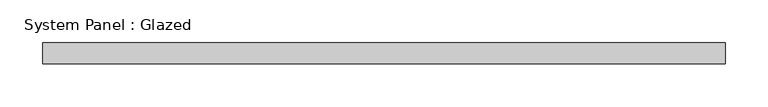
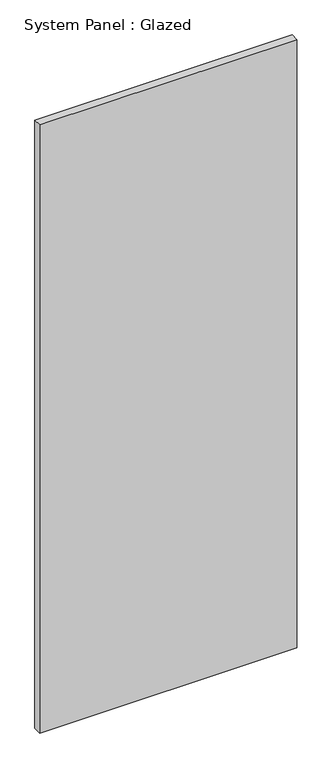
"""IFC4 building model written with IfcOpenShell, lengths in millimetres: plate geometry, System Panel : Glazed."""

from ifc_helpers import new_model, si_unit, origin, origin_with_axes, place, context, project, spatial, polyline, outline, extrude, source, transform, mapped, element, save


def system_panel_glazed_e4c506ac(model_context):
    return source(origin(), model_context, "Body", "SweptSolid", [
        extrude(outline(polyline([(399.9999998, 24.5), (-399.9999998, 24.5), (-399.9999998, 49.5), (399.9999998, 49.5), (399.9999998, 24.5)])), origin_with_axes(), (0.0, 0.0, 1.0), 2000.0),
    ])


if __name__ == "__main__":
    model = new_model("IFC4")
    model_context = context("Model", 3, world=origin())
    ifc_project = project(units=[si_unit("LENGTHUNIT", "METRE", prefix="MILLI")], contexts=[model_context])
    site = spatial("IfcSite", under=ifc_project)
    building = spatial("IfcBuilding", under=site)
    placement = place(None, origin())
    system_panel_glazed_shape = system_panel_glazed_e4c506ac(model_context)
    element("IfcPlate", 1, ObjectType="System Panel : Glazed", at=placement, inside=building, context=model_context, shape_type="MappedRepresentation", body=[
        mapped(system_panel_glazed_shape, transform((0.0, 0.0, 0.0), x_axis=(1.0, 0.0, 0.0), y_axis=(0.0, 1.0, 0.0), z_axis=(0.0, 0.0, 1.0))),
    ])
    save(model, "model.ifc")
